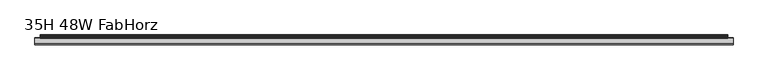
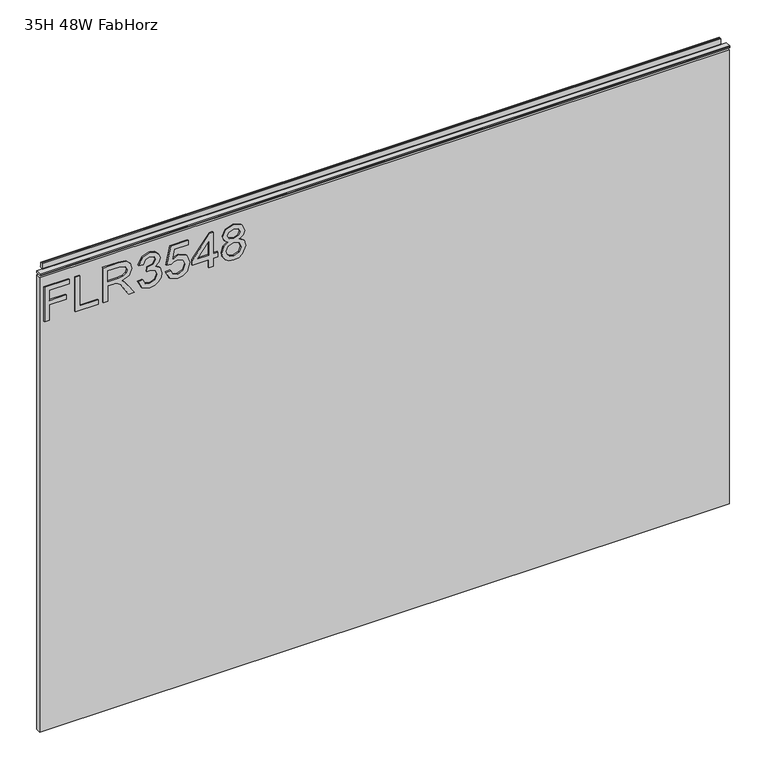
"""IFC4 building model written with IfcOpenShell, lengths in millimetres: furniture geometry, 35H 48W FabHorz."""

from ifc_helpers import new_model, si_unit, frame, origin, place, context, project, spatial, polyline, outline, extrude, source, transform, mapped, element, save


def furniture_35h_48w_fabhorz_c1ae45ca(model_context):
    return source(origin(), model_context, "Body", "SweptSolid", [
        extrude(outline(polyline([(773.6078, -291.2189953), (773.6078, -283.2452757), (802.5125336, -283.2452757), (802.5125336, -253.3438271), (810.4862532, -253.3438271), (810.4862532, -283.2452757), (829.4238373, -283.2452757), (829.4238373, -248.3602524), (837.3975569, -248.3602524), (837.3975569, -291.2189953), (773.6078, -291.2189953)])), frame((0.0, -5.5562439, 0.0), z_axis=(0.0, 1.0, 0.0), x_axis=(0.0, 0.0, 1.0)), (0.0, 0.0, 1.0), 2.38125),
        extrude(outline(polyline([(773.6078, -237.3963879), (773.6078, -197.5277898), (781.5815196, -197.5277898), (781.5815196, -229.4226683), (837.3975569, -229.4226683), (837.3975569, -237.3963879), (773.6078, -237.3963879)])), frame((0.0, -5.5562439, 0.0), z_axis=(0.0, 1.0, 0.0), x_axis=(0.0, 0.0, 1.0)), (0.0, 0.0, 1.0), 2.38125),
        extrude(outline(polyline([(773.6078, -188.5573553), (773.6078, -180.5836356), (801.5158187, -180.5836356), (801.5158187, -170.9591069), (801.2354926, -166.3337265), (799.7170596, -162.5415376), (795.58225, -158.3288596), (786.8298468, -152.3329962), (773.6078, -144.0322295), (773.6078, -134.7658952), (790.894575, -145.4027126), (799.1018996, -151.8657861), (802.5125336, -156.3977244), (808.4461023, -143.0433014), (819.9394716, -138.7216076), (829.5873609, -141.3301976), (835.6766663, -148.3072022), (837.3975569, -161.0698257), (837.3975569, -188.5573553), (773.6078, -188.5573553)]), holes=[polyline([(809.4895383, -180.5836356), (829.4238373, -180.5836356), (829.4238373, -160.7272049), (826.6672975, -150.0670271), (819.6435719, -146.6953273), (814.2317211, -148.4629389), (810.6186294, -153.6333977), (809.4895383, -162.7362085), (809.4895383, -180.5836356)])]), frame((0.0, -5.5562439, 0.0), z_axis=(0.0, 1.0, 0.0), x_axis=(0.0, 0.0, 1.0)), (0.0, 0.0, 1.0), 2.38125),
        extrude(outline(polyline([(790.5519542, -127.7577432), (777.6102335, -121.419259), (772.611085, -107.4341023), (774.0750101, -98.9114108), (778.4667854, -92.0005943), (784.9610063, -87.4219349), (792.7322681, -85.8957152), (803.1043331, -88.9481547), (808.555118, -97.6382632), (813.8345925, -91.0973213), (821.1853653, -88.88586), (829.2291664, -91.2141239), (835.2094562, -97.9419498), (837.3975569, -107.5586917), (832.9590607, -120.23566), (820.4534028, -126.7610282), (819.4566878, -118.7873086), (826.9320499, -114.8783171), (829.4238373, -107.2783656), (826.9554105, -99.7718561), (820.7181552, -96.8595796), (813.6788558, -100.8775868), (811.4829682, -111.2029308), (803.5092486, -112.09063), (804.3813742, -106.4996821), (801.11869, -97.4358055), (792.8724312, -93.8694348), (784.120028, -97.4669528), (780.5848047, -107.1537763), (783.1544604, -115.3844615), (791.5486691, -119.7840235), (790.5519542, -127.7577432)])), frame((0.0, -5.5562439, 0.0), z_axis=(0.0, 1.0, 0.0), x_axis=(0.0, 0.0, 1.0)), (0.0, 0.0, 1.0), 2.38125),
        extrude(outline(polyline([(790.5519542, -78.9187105), (777.5245783, -72.6970289), (772.611085, -58.626217), (774.5227532, -49.2352933), (780.2577576, -42.0558309), (795.0527451, -37.0566825), (809.7542907, -42.6086963), (815.469828, -56.2434453), (810.8600213, -67.908125), (828.4271224, -64.497491), (828.4271224, -40.0468274), (836.400842, -40.0468274), (836.400842, -70.9449909), (803.5092486, -77.9219955), (802.5125336, -69.9482759), (806.1100516, -65.4708455), (807.4961084, -58.4704803), (804.0231797, -48.3709546), (794.5543877, -45.0304021), (784.4081409, -48.5967728), (780.5848047, -58.5950697), (783.3335576, -66.9269837), (791.5486691, -70.9449909), (790.5519542, -78.9187105)])), frame((0.0, -5.5562439, 0.0), z_axis=(0.0, 1.0, 0.0), x_axis=(0.0, 0.0, 1.0)), (0.0, 0.0, 1.0), 2.38125),
        extrude(outline(polyline([(773.6078, -4.1650891), (773.6078, 3.8086305), (788.5585243, 3.8086305), (788.5585243, 11.7823502), (796.5322439, 11.7823502), (796.5322439, 3.8086305), (836.400842, 3.8086305), (836.400842, -2.1716592), (796.5322439, -33.0698227), (788.5585243, -33.0698227), (788.5585243, -4.1650891), (773.6078, -4.1650891)]), holes=[polyline([(796.5322439, -4.1650891), (796.5322439, -23.2584099), (821.1697916, -4.1650891), (796.5322439, -4.1650891)])]), frame((0.0, -5.5562439, 0.0), z_axis=(0.0, 1.0, 0.0), x_axis=(0.0, 0.0, 1.0)), (0.0, 0.0, 1.0), 2.38125),
        extrude(outline(polyline([(808.7420021, 30.3773135), (802.9485964, 21.780647), (792.3896474, 18.7593548), (784.6320125, 20.1999194), (778.2721145, 24.5216131), (774.0263424, 31.1949312), (772.611085, 39.6903688), (774.0205023, 48.1858064), (778.248754, 54.8591245), (792.171616, 60.6213828), (802.4891731, 57.7168932), (808.7420021, 49.2370292), (813.671069, 56.2996891), (821.1853653, 58.6279529), (832.6787346, 53.3951994), (837.3975569, 39.5813531), (832.7877503, 25.8920962), (821.4033967, 20.7527847), (813.6944295, 23.1121959), (808.7420021, 30.3773135)]), holes=[polyline([(792.6699735, 26.7330744), (801.1264769, 30.1047742), (804.5059635, 39.4879111), (801.0797559, 49.1435872), (792.4207947, 52.6476632), (783.9253571, 49.2526029), (780.5848047, 39.7526635), (782.1733191, 32.7756588), (786.6663232, 28.0646233), (792.6699735, 26.7330744)]), polyline([(821.1697916, 28.7265043), (826.9943446, 31.5998467), (829.4238373, 39.6903688), (826.9398368, 47.7575305), (820.8115972, 50.6542333), (814.8936022, 47.8509725), (812.4796831, 39.7838108), (814.9091758, 31.5531257), (821.1697916, 28.7265043)])]), frame((0.0, -5.5562439, 0.0), z_axis=(0.0, 1.0, 0.0), x_axis=(0.0, 0.0, 1.0)), (0.0, 0.0, 1.0), 2.38125),
        extrude(outline(polyline([(5.5562561, 863.6), (6.3500061, 863.6), (6.3500061, 873.47425), (7.1437561, 874.268), (8.6677569, 874.268), (10.0084363, 873.8506926), (10.875413, 872.7461816), (10.9623604, 871.3447591), (10.2390011, 868.3863459), (10.4046103, 867.1833307), (11.6746103, 864.9836103), (10.7786383, 864.4663244), (7.1437561, 864.4663244), (7.1437561, 863.6), (6.3500061, 863.3669239), (6.3500061, 856.1578), (5.5562561, 856.1578), (5.5562561, 863.6)])), frame((-288.671, 0.0, 0.0), z_axis=(1.0, 0.0, 0.0), x_axis=(0.0, 1.0, 0.0)), (0.0, 0.0, 1.0), 1186.942),
        extrude(outline(polyline([(5.5562561, 863.6), (5.5562561, 860.4249996), (-3.975094, 860.4249996), (-5.3492339, 861.2183657), (-5.3492339, 862.8066395), (-3.9751037, 863.6), (5.5562561, 863.6)])), frame((-298.196, 0.0, 0.0), z_axis=(1.0, 0.0, 0.0), x_axis=(0.0, 1.0, 0.0)), (0.0, 0.0, 1.0), 1205.992),
        extrude(outline(polyline([(907.796, 6.3500061), (907.796, -3.1749939), (-298.196, -3.1749939), (-298.196, 6.3500061), (907.796, 6.3500061)])), frame((0.0, 0.0, 15.79626), z_axis=(0.0, 0.0, 1.0), x_axis=(1.0, 0.0, 0.0)), (0.0, 0.0, 1.0), 840.36154),
    ])


if __name__ == "__main__":
    model = new_model("IFC4")
    model_context = context("Model", 3, world=origin())
    ifc_project = project(units=[si_unit("LENGTHUNIT", "METRE", prefix="MILLI")], contexts=[model_context])
    site = spatial("IfcSite", under=ifc_project)
    building = spatial("IfcBuilding", under=site)
    placement = place(None, origin())
    furniture_35h_48w_fabhorz_shape = furniture_35h_48w_fabhorz_c1ae45ca(model_context)
    element("IfcFurniture", 1, ObjectType="35H 48W FabHorz", at=placement, inside=building, context=model_context, shape_type="MappedRepresentation", body=[
        mapped(furniture_35h_48w_fabhorz_shape, transform((0.0, 0.0, 0.0), x_axis=(1.0, 0.0, 0.0), y_axis=(0.0, 1.0, 0.0), z_axis=(0.0, 0.0, 1.0))),
    ])
    save(model, "model.ifc")
